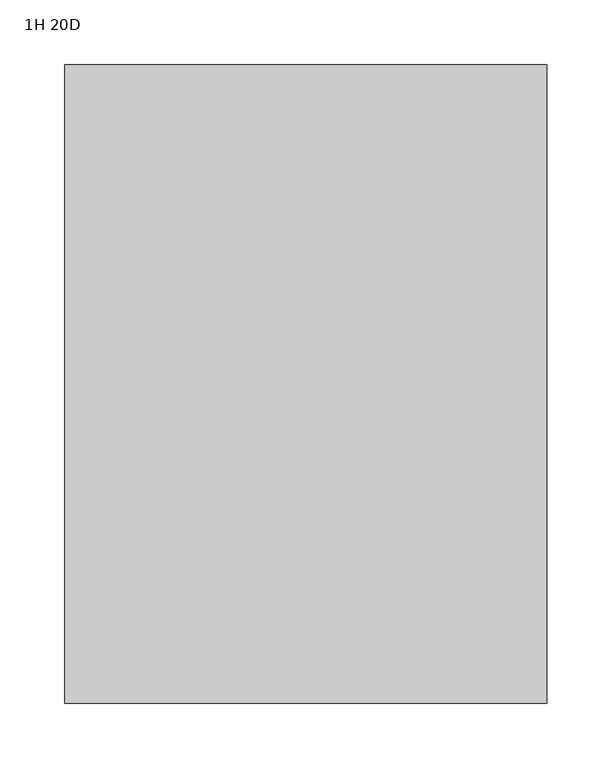
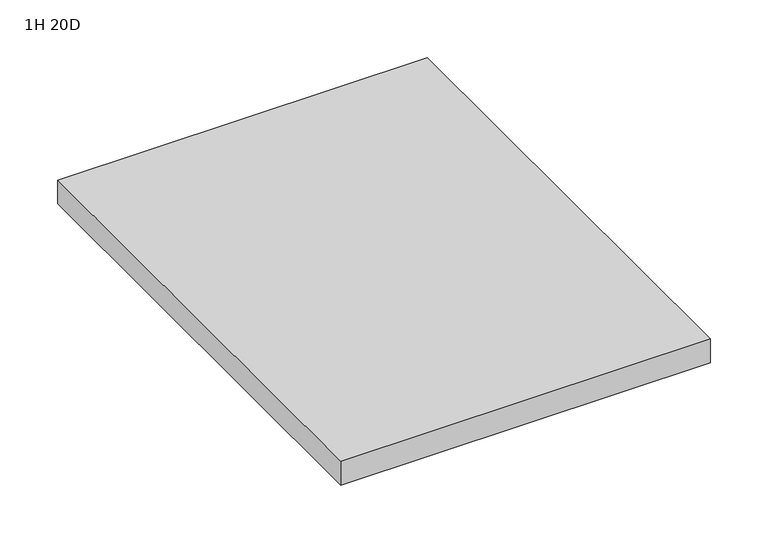
"""IFC4 building model written with IfcOpenShell, lengths in millimetres: furniture geometry, 1H 20D."""

from ifc_helpers import new_model, si_unit, frame, origin, place, context, project, spatial, polyline, outline, extrude, source, transform, mapped, element, save


def furniture_1h_20d_4a03fa31(model_context):
    return source(origin(), model_context, "Body", "SweptSolid", [
        extrude(outline(polyline([(-288.925, 440.563), (-288.925, -51.562), (-660.4, -51.562), (-660.4, 440.563), (-288.925, 440.563)])), frame((0.0, 0.0, 539.75), z_axis=(0.0, 0.0, 1.0), x_axis=(1.0, 0.0, 0.0)), (0.0, 0.0, 1.0), 25.4),
    ])


if __name__ == "__main__":
    model = new_model("IFC4")
    model_context = context("Model", 3, world=origin())
    ifc_project = project(units=[si_unit("LENGTHUNIT", "METRE", prefix="MILLI")], contexts=[model_context])
    site = spatial("IfcSite", under=ifc_project)
    building = spatial("IfcBuilding", under=site)
    placement = place(None, origin())
    furniture_1h_20d_shape = furniture_1h_20d_4a03fa31(model_context)
    element("IfcFurniture", 1, ObjectType="1H 20D", at=placement, inside=building, context=model_context, shape_type="MappedRepresentation", body=[
        mapped(furniture_1h_20d_shape, transform((0.0, 0.0, 0.0), x_axis=(1.0, 0.0, 0.0), y_axis=(0.0, 1.0, 0.0), z_axis=(0.0, 0.0, 1.0))),
    ])
    save(model, "model.ifc")
